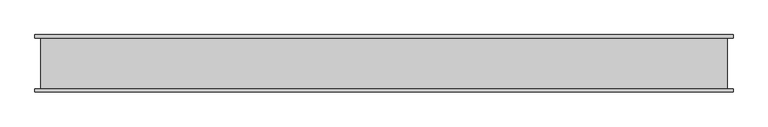
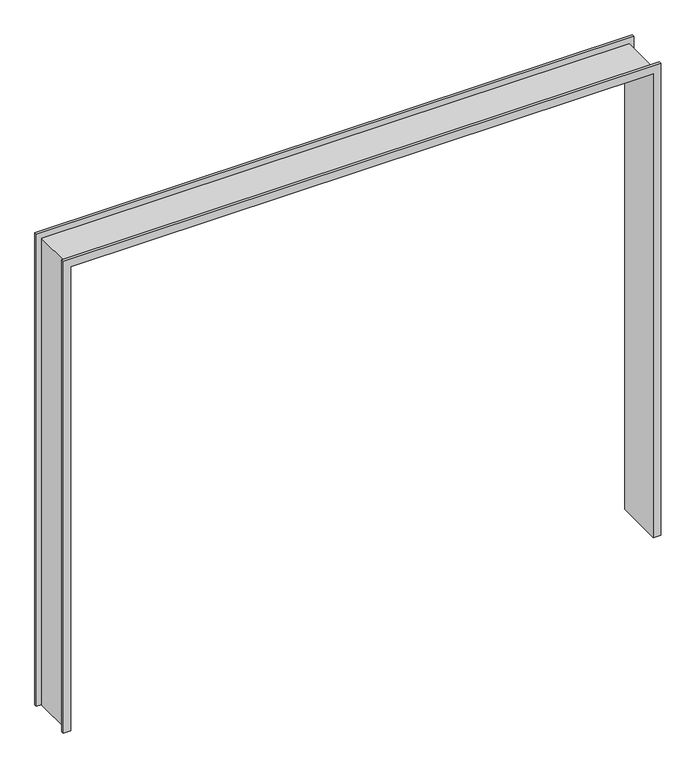
"""IFC4 building model written with IfcOpenShell, lengths in millimetres: proxy geometry."""

from ifc_helpers import new_model, si_unit, origin, place, context, project, spatial, faceted_brep, source, transform, mapped, element, save


def specialty_equipment_ab2ab6f4(model_context):
    return source(origin(), model_context, "Body", "Brep", [
        faceted_brep([(1618.2442422, -7.7140625, 0.0), (1618.2442422, 292.2859375, 0.0), (1664.9173422, 292.2859375, 0.0), (1664.9173422, 275.7859375, 0.0), (1635.2442422, 275.7859375, 0.0), (1635.2442422, 8.7859375, 0.0), (1664.9173422, 8.7859375, 0.0), (1664.9173422, -7.7140625, 0.0), (1635.2442422, 8.7859375, 3012.8984), (-1958.4030564, 8.7859375, 3012.8984), (-1958.4030564, 8.7859375, 0.0), (-1988.0761564, 8.7859375, 0.0), (-1988.0761564, 8.7859375, 3047.9944), (1664.9173422, 8.7859375, 3047.9944), (-1941.4030564, -7.7140625, 0.0), (-1941.4030564, -7.7140625, 2995.8984), (1618.2442422, -7.7140625, 2995.8984), (1664.9173422, -7.7140625, 3047.9944), (-1988.0761564, -7.7140625, 3047.9944), (-1988.0761564, -7.7140625, 0.0), (1618.2442422, 292.2859375, 2995.8984), (-1941.4030564, 292.2859375, 2995.8984), (-1941.4030564, 292.2859375, 0.0), (-1988.0761564, 292.2859375, 0.0), (-1988.0761564, 292.2859375, 3047.9944), (1664.9173422, 292.2859375, 3047.9944), (-1958.4030564, 275.7859375, 0.0), (-1958.4030564, 275.7859375, 3012.8984), (1635.2442422, 275.7859375, 3012.8984), (1664.9173422, 275.7859375, 3047.9944), (-1988.0761564, 275.7859375, 3047.9944), (-1988.0761564, 275.7859375, 0.0)], [[[0, 1, 2, 3, 4, 5, 6, 7]], [[5, 8, 9, 10, 11, 12, 13, 6]], [[14, 15, 16, 0, 7, 17, 18, 19]], [[1, 0, 16, 20]], [[1, 20, 21, 22, 23, 24, 25, 2]], [[26, 27, 28, 4, 3, 29, 30, 31]], [[5, 4, 28, 8]], [[18, 17, 13, 12]], [[16, 15, 21, 20]], [[30, 29, 25, 24]], [[9, 8, 28, 27]], [[10, 26, 31, 23, 22, 14, 19, 11]], [[15, 14, 22, 21]], [[10, 9, 27, 26]], [[12, 11, 19, 18]], [[24, 23, 31, 30]], [[3, 2, 25, 29]], [[7, 6, 13, 17]]]),
    ])


if __name__ == "__main__":
    model = new_model("IFC4")
    model_context = context("Model", 3, world=origin())
    ifc_project = project(units=[si_unit("LENGTHUNIT", "METRE", prefix="MILLI")], contexts=[model_context])
    site = spatial("IfcSite", under=ifc_project)
    building = spatial("IfcBuilding", under=site)
    placement = place(None, origin())
    specialty_equipment_shape = specialty_equipment_ab2ab6f4(model_context)
    element("IfcBuildingElementProxy", 1, Name="Specialty Equipment", at=placement, inside=building, context=model_context, shape_type="MappedRepresentation", body=[
        mapped(specialty_equipment_shape, transform((0.0, 0.0, 0.0), x_axis=(1.0, 0.0, 0.0), y_axis=(0.0, 1.0, 0.0), z_axis=(0.0, 0.0, 1.0))),
    ])
    save(model, "model.ifc")
